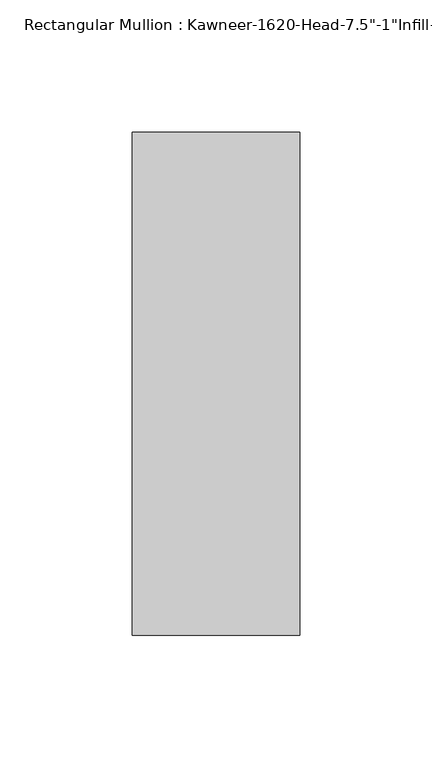
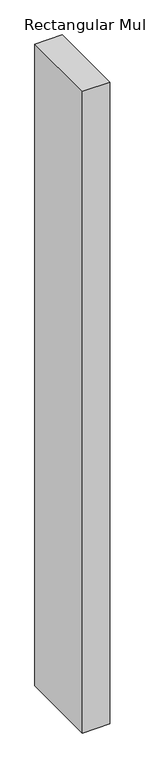
"""IFC4 building model written with IfcOpenShell, lengths in millimetres: member geometry."""

from ifc_helpers import new_model, si_unit, frame, origin, place, context, project, spatial, polyline, outline, extrude, source, transform, mapped, element, save


def member_b6666a20(model_context):
    return source(origin(), model_context, "Body", "SweptSolid", [
        extrude(outline(polyline([(-63.5, 38.1), (0.0, 38.1), (0.0, -152.4), (-63.5, -152.4), (-63.5, 38.1)])), frame((0.0, 0.0, -1569.3182369), z_axis=(0.0, 0.0, 1.0), x_axis=(1.0, 0.0, 0.0)), (0.0, 0.0, 1.0), 1569.3182369),
    ])


if __name__ == "__main__":
    model = new_model("IFC4")
    model_context = context("Model", 3, world=origin())
    ifc_project = project(units=[si_unit("LENGTHUNIT", "METRE", prefix="MILLI")], contexts=[model_context])
    site = spatial("IfcSite", under=ifc_project)
    building = spatial("IfcBuilding", under=site)
    placement = place(None, origin())
    member_shape = member_b6666a20(model_context)
    element("IfcMember", 1, ObjectType="Rectangular Mullion : Kawneer-1620-Head-7.5\"-1\"Infill-1A", at=placement, inside=building, context=model_context, shape_type="MappedRepresentation", body=[
        mapped(member_shape, transform((0.0, 0.0, 0.0), x_axis=(1.0, 0.0, 0.0), y_axis=(0.0, 1.0, 0.0), z_axis=(0.0, 0.0, 1.0))),
    ])
    save(model, "model.ifc")
